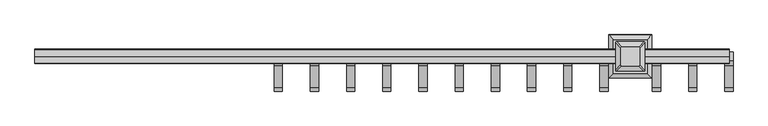
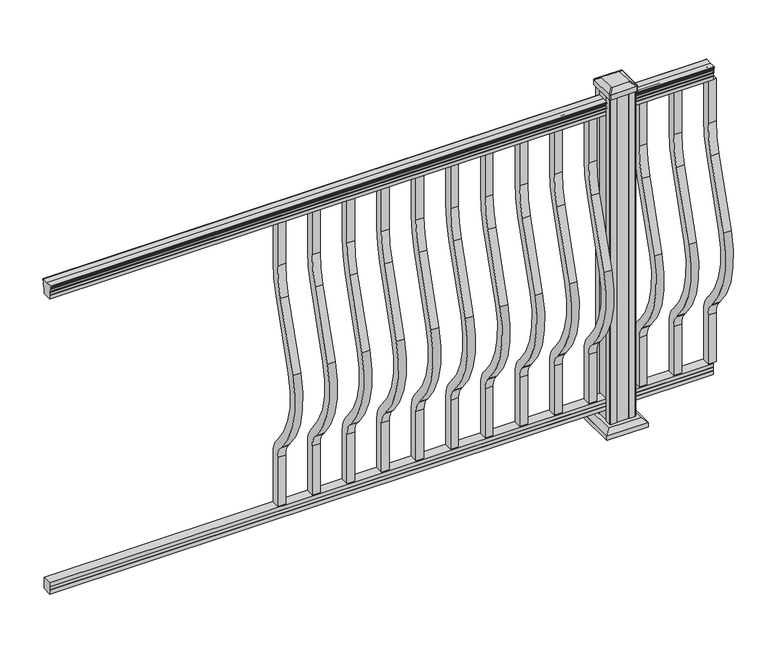
"""IFC4 building model written with IfcOpenShell, lengths in millimetres: railing geometry."""

from ifc_helpers import new_model, si_unit, point, frame, frame_2d, origin, origin_with_axes, place, context, project, spatial, polyline, circle_curve, trimmed, segment, composite_curve, outline, extrude, faceted_brep, source, transform, mapped, element, save
from ifc_brep_helpers import plane_surface, cylinder_surface, revolved_surface, extruded_surface, advanced_brep


def railing_0933faa9(model_context):
    return source(origin(), model_context, "Body", "SolidModel", [
        advanced_brep(
        [(13523.6817463, -48680.1992427, 1090.8043297), (13523.6817463, -48680.1992427, 1092.692412), (13523.6817463, -48681.329429, 1094.2546695), (13523.6817463, -48681.329429, 1101.4726458), (13523.6817463, -48680.6801726, 1103.9060812), (13523.6817463, -48683.1801726, 1108.2362083), (13523.6817463, -48684.5895151, 1109.9157972), (13523.6817463, -48684.9914141, 1111.0205318), (13523.6817463, -48684.991414, 1112.3608158), (13523.6817463, -48683.4379668, 1113.914263), (13523.6817463, -48662.766414, 1113.914263), (13523.6817463, -48642.0948612, 1113.914263), (13523.6817463, -48640.541414, 1112.3608158), (13523.6817463, -48640.541414, 1111.0205318), (13523.6817463, -48640.9433129, 1109.9157972), (13523.6817463, -48642.3526554, 1108.2362083), (13523.6817463, -48644.8526554, 1103.9060812), (13523.6817463, -48644.203399, 1101.4726458), (13523.6817463, -48644.203399, 1094.2546695), (13523.6817463, -48645.3335853, 1092.692412), (13523.6817463, -48645.3335853, 1090.8043297), (13523.6817463, -48647.907414, 1090.8043297), (13523.6817463, -48647.907414, 1080.3048283), (13523.6817463, -48646.891414, 1079.2888283), (13523.6817463, -48646.891414, 1066.8), (13523.6817463, -48678.641414, 1066.8), (13523.6817463, -48678.641414, 1079.131013), (13523.6817463, -48677.625414, 1080.147013), (13523.6817463, -48677.625414, 1090.8043297), (15657.2817463, -48680.1992427, 1090.8043297), (15657.2817463, -48677.625414, 1090.8043297), (15657.2817463, -48677.625414, 1080.147013), (15657.2817463, -48678.641414, 1079.131013), (15657.2817463, -48678.641414, 1066.8), (15657.2817463, -48646.891414, 1066.8), (15657.2817463, -48646.891414, 1079.2888283), (15657.2817463, -48647.907414, 1080.3048283), (15657.2817463, -48647.907414, 1090.8043297), (15657.2817463, -48645.3335853, 1090.8043297), (15657.2817463, -48645.3335853, 1092.692412), (15657.2817463, -48644.203399, 1094.2546695), (15657.2817463, -48644.203399, 1101.4726458), (15657.2817463, -48644.8526554, 1103.9060812), (15657.2817463, -48642.3526554, 1108.2362083), (15657.2817463, -48640.9433129, 1109.9157972), (15657.2817463, -48640.5414139, 1111.0205318), (15657.2817463, -48640.541414, 1112.3608158), (15657.2817463, -48642.0948612, 1113.914263), (15657.2817463, -48662.766414, 1113.914263), (15657.2817463, -48683.4379668, 1113.914263), (15657.2817463, -48684.991414, 1112.3608158), (15657.2817463, -48684.991414, 1111.0205318), (15657.2817463, -48684.5895151, 1109.9157972), (15657.2817463, -48683.1801726, 1108.2362083), (15657.2817463, -48680.6801726, 1103.9060812), (15657.2817463, -48681.329429, 1101.4726458), (15657.2817463, -48681.329429, 1094.2546695), (15657.2817463, -48680.1992427, 1092.692412)],
        [
            (0, 1),
            (1, 2, circle_curve(frame((13523.6817463, -48673.8844895, 1098.4506383), z_axis=(-1.0, 0.0, 0.0), x_axis=(0.0, 1.0, 0.0)), 8.545951)),
            (2, 3, circle_curve(frame((13523.6817463, -48674.3215524, 1097.8636577), z_axis=(-1.0, 0.0, 0.0), x_axis=(0.0, 1.0, 0.0)), 7.882584)),
            (3, 4, circle_curve(frame((13523.6817463, -48684.8348766, 1103.7112527), z_axis=(1.0, 0.0, 0.0), x_axis=(0.0, 1.0, 0.0)), 4.1592695)),
            (4, 5, circle_curve(frame((13523.6817463, -48686.1221831, 1103.6508864), z_axis=(1.0, 0.0, 0.0), x_axis=(0.0, 1.0, 0.0)), 5.4479907)),
            (5, 6, circle_curve(frame((13523.6817463, -48684.8890247, 1108.233395), z_axis=(1.0, 0.0, 0.0), x_axis=(0.0, 1.0, 0.0)), 1.7088543)),
            (6, 7, circle_curve(frame((13523.6817463, -48683.2721246, 1111.0205318), z_axis=(-1.0, 0.0, 0.0), x_axis=(0.0, 1.0, 0.0)), 1.7192895)),
            (7, 8),
            (8, 9, circle_curve(frame((13523.6817463, -48683.4379668, 1112.3608158), z_axis=(-1.0, 0.0, 0.0), x_axis=(0.0, 1.0, 0.0)), 1.5534472)),
            (9, 10),
            (10, 11),
            (11, 12, circle_curve(frame((13523.6817463, -48642.0948612, 1112.3608158), z_axis=(-1.0, 0.0, 0.0), x_axis=(0.0, -1.0, 0.0)), 1.5534472)),
            (12, 13),
            (13, 14, circle_curve(frame((13523.6817463, -48642.2607034, 1111.0205318), z_axis=(-1.0, 0.0, 0.0), x_axis=(0.0, -1.0, 0.0)), 1.7192895)),
            (14, 15, circle_curve(frame((13523.6817463, -48640.6438033, 1108.233395), z_axis=(1.0, 0.0, 0.0), x_axis=(0.0, -1.0, 0.0)), 1.7088543)),
            (15, 16, circle_curve(frame((13523.6817463, -48639.4106449, 1103.6508864), z_axis=(1.0, 0.0, 0.0), x_axis=(0.0, -1.0, 0.0)), 5.4479907)),
            (16, 17, circle_curve(frame((13523.6817463, -48640.6979515, 1103.7112527), z_axis=(1.0, 0.0, 0.0), x_axis=(0.0, -1.0, 0.0)), 4.1592695)),
            (17, 18, circle_curve(frame((13523.6817463, -48651.2112756, 1097.8636577), z_axis=(-1.0, 0.0, 0.0), x_axis=(0.0, -1.0, 0.0)), 7.882584)),
            (18, 19, circle_curve(frame((13523.6817463, -48651.6483386, 1098.4506383), z_axis=(-1.0, 0.0, 0.0), x_axis=(0.0, -1.0, 0.0)), 8.545951)),
            (19, 20),
            (20, 21, circle_curve(frame((13523.6817463, -48646.6204996, 1090.8043297), z_axis=(-1.0, 0.0, 0.0), x_axis=(0.0, -1.0, 0.0)), 1.2869144)),
            (21, 22),
            (22, 23),
            (23, 24),
            (24, 25),
            (25, 26),
            (26, 27),
            (27, 28),
            (28, 0, circle_curve(frame((13523.6817463, -48678.9123284, 1090.8043297), z_axis=(-1.0, 0.0, 0.0), x_axis=(0.0, 1.0, 0.0)), 1.2869144)),
            (29, 30, circle_curve(frame((15657.2817463, -48678.9123284, 1090.8043297), z_axis=(1.0, 0.0, 0.0), x_axis=(0.0, 1.0, 0.0)), 1.2869144)),
            (30, 31),
            (31, 32),
            (32, 33),
            (33, 34),
            (34, 35),
            (35, 36),
            (36, 37),
            (37, 38, circle_curve(frame((15657.2817463, -48646.6204996, 1090.8043297), z_axis=(1.0, 0.0, 0.0), x_axis=(0.0, -1.0, 0.0)), 1.2869144)),
            (38, 39),
            (39, 40, circle_curve(frame((15657.2817463, -48651.6483386, 1098.4506383), z_axis=(1.0, 0.0, 0.0), x_axis=(0.0, -1.0, 0.0)), 8.545951)),
            (40, 41, circle_curve(frame((15657.2817463, -48651.2112756, 1097.8636577), z_axis=(1.0, 0.0, 0.0), x_axis=(0.0, -1.0, 0.0)), 7.882584)),
            (41, 42, circle_curve(frame((15657.2817463, -48640.6979515, 1103.7112527), z_axis=(-1.0, 0.0, 0.0), x_axis=(0.0, -1.0, 0.0)), 4.1592695)),
            (42, 43, circle_curve(frame((15657.2817463, -48639.4106449, 1103.6508864), z_axis=(-1.0, 0.0, 0.0), x_axis=(0.0, -1.0, 0.0)), 5.4479907)),
            (43, 44, circle_curve(frame((15657.2817463, -48640.6438033, 1108.233395), z_axis=(-1.0, 0.0, 0.0), x_axis=(0.0, -1.0, 0.0)), 1.7088543)),
            (44, 45, circle_curve(frame((15657.2817463, -48642.2607034, 1111.0205318), z_axis=(1.0, 0.0, 0.0), x_axis=(0.0, -1.0, 0.0)), 1.7192895)),
            (45, 46),
            (46, 47, circle_curve(frame((15657.2817463, -48642.0948612, 1112.3608158), z_axis=(1.0, 0.0, 0.0), x_axis=(0.0, -1.0, 0.0)), 1.5534472)),
            (47, 48),
            (48, 49),
            (49, 50, circle_curve(frame((15657.2817463, -48683.4379668, 1112.3608158), z_axis=(1.0, 0.0, 0.0), x_axis=(0.0, 1.0, 0.0)), 1.5534472)),
            (50, 51),
            (51, 52, circle_curve(frame((15657.2817463, -48683.2721246, 1111.0205318), z_axis=(1.0, 0.0, 0.0), x_axis=(0.0, 1.0, 0.0)), 1.7192895)),
            (52, 53, circle_curve(frame((15657.2817463, -48684.8890247, 1108.233395), z_axis=(-1.0, 0.0, 0.0), x_axis=(0.0, 1.0, 0.0)), 1.7088543)),
            (53, 54, circle_curve(frame((15657.2817463, -48686.1221831, 1103.6508864), z_axis=(-1.0, 0.0, 0.0), x_axis=(0.0, 1.0, 0.0)), 5.4479907)),
            (54, 55, circle_curve(frame((15657.2817463, -48684.8348766, 1103.7112527), z_axis=(-1.0, 0.0, 0.0), x_axis=(0.0, 1.0, 0.0)), 4.1592695)),
            (55, 56, circle_curve(frame((15657.2817463, -48674.3215524, 1097.8636577), z_axis=(1.0, 0.0, 0.0), x_axis=(0.0, 1.0, 0.0)), 7.882584)),
            (56, 57, circle_curve(frame((15657.2817463, -48673.8844895, 1098.4506383), z_axis=(1.0, 0.0, 0.0), x_axis=(0.0, 1.0, 0.0)), 8.545951)),
            (57, 29),
            (28, 30),
            (29, 0),
            (27, 31),
            (26, 32),
            (25, 33),
            (24, 34),
            (23, 35),
            (22, 36),
            (21, 37),
            (20, 38),
            (19, 39),
            (18, 40),
            (17, 41),
            (16, 42),
            (15, 43),
            (14, 44),
            (13, 45),
            (12, 46),
            (11, 47),
            (10, 48),
            (9, 49),
            (8, 50),
            (7, 51),
            (6, 52),
            (5, 53),
            (4, 54),
            (3, 55),
            (2, 56),
            (1, 57),
        ],
        [
            plane_surface(frame((13523.6817463, -48662.766414, 1066.8), z_axis=(-1.0, 0.0, 0.0), x_axis=(0.0, 1.0, 0.0))),
            plane_surface(frame((15657.2817463, -48662.766414, 1066.8), z_axis=(1.0, 0.0, 0.0), x_axis=(0.0, 1.0, 0.0))),
            cylinder_surface(frame((13523.6817463, -48678.9123284, 1090.8043297), z_axis=(-1.0, 0.0, 0.0), x_axis=(0.0, 1.0, 0.0)), 1.2869144),
            plane_surface(frame((13523.6817463, -48677.625414, 1080.147013), z_axis=(0.0, -1.0, 0.0), x_axis=(1.0, 0.0, 0.0))),
            plane_surface(frame((13523.6817463, -48678.641414, 1079.131013), z_axis=(0.0, -0.7071067811865395, 0.7071067811865556), x_axis=(1.0, 0.0, 0.0))),
            plane_surface(frame((13523.6817463, -48678.641414, 1066.8), z_axis=(0.0, -1.0, 0.0), x_axis=(1.0, 0.0, 0.0))),
            plane_surface(frame((13523.6817463, -48646.891414, 1066.8), z_axis=(0.0, 0.0, -1.0), x_axis=(1.0, 0.0, 0.0))),
            plane_surface(frame((13523.6817463, -48646.891414, 1079.2888283), z_axis=(0.0, 1.0, 0.0), x_axis=(1.0, 0.0, 0.0))),
            plane_surface(frame((13523.6817463, -48647.907414, 1080.3048283), z_axis=(0.0, 0.7071067811865432, 0.707106781186552), x_axis=(1.0, 0.0, 0.0))),
            plane_surface(frame((13523.6817463, -48647.907414, 1090.8043297), z_axis=(0.0, 1.0, 0.0), x_axis=(1.0, 0.0, 0.0))),
            cylinder_surface(frame((13523.6817463, -48646.6204996, 1090.8043297), z_axis=(-1.0, 0.0, 0.0), x_axis=(0.0, -1.0, 0.0)), 1.2869144),
            plane_surface(frame((13523.6817463, -48645.3335853, 1092.692412), z_axis=(0.0, 1.0, 0.0), x_axis=(1.0, 0.0, 0.0))),
            cylinder_surface(frame((13523.6817463, -48651.6483386, 1098.4506383), z_axis=(-1.0, 0.0, 0.0), x_axis=(0.0, -1.0, 0.0)), 8.545951),
            cylinder_surface(frame((13523.6817463, -48651.2112756, 1097.8636577), z_axis=(-1.0, 0.0, 0.0), x_axis=(0.0, -1.0, 0.0)), 7.882584),
            revolved_surface(polyline([(15657.2817463, -48644.857221, 1103.7112527), (13523.6817463, -48644.857221, 1103.7112527)]), (13523.6817463, -48640.6979515, 1103.7112527), (1.0, 0.0, 0.0)),
            revolved_surface(polyline([(15657.2817463, -48644.8586356, 1103.6508864), (13523.6817463, -48644.8586356, 1103.6508864)]), (13523.6817463, -48639.4106449, 1103.6508864), (1.0, 0.0, 0.0)),
            revolved_surface(polyline([(15657.2817463, -48642.3526576, 1108.233395), (13523.6817463, -48642.3526576, 1108.233395)]), (13523.6817463, -48640.6438033, 1108.233395), (1.0, 0.0, 0.0)),
            cylinder_surface(frame((13523.6817463, -48642.2607034, 1111.0205318), z_axis=(-1.0, 0.0, 0.0), x_axis=(0.0, -1.0, 0.0)), 1.7192895),
            plane_surface(frame((13523.6817463, -48640.541414, 1112.3608158), z_axis=(0.0, 1.0, 0.0), x_axis=(1.0, 0.0, 0.0))),
            cylinder_surface(frame((13523.6817463, -48642.0948612, 1112.3608158), z_axis=(-1.0, 0.0, 0.0), x_axis=(0.0, -1.0, 0.0)), 1.5534472),
            plane_surface(frame((13523.6817463, -48662.766414, 1113.914263), z_axis=(0.0, 0.0, 1.0), x_axis=(1.0, 0.0, 0.0))),
            plane_surface(frame((13523.6817463, -48683.4379668, 1113.914263), z_axis=(0.0, 0.0, 1.0), x_axis=(1.0, 0.0, 0.0))),
            cylinder_surface(frame((13523.6817463, -48683.4379668, 1112.3608158), z_axis=(-1.0, 0.0, 0.0), x_axis=(0.0, 1.0, 0.0)), 1.5534472),
            plane_surface(frame((13523.6817463, -48684.991414, 1111.0205318), z_axis=(0.0, -1.0, 0.0), x_axis=(1.0, 0.0, 0.0))),
            cylinder_surface(frame((13523.6817463, -48683.2721246, 1111.0205318), z_axis=(-1.0, 0.0, 0.0), x_axis=(0.0, 1.0, 0.0)), 1.7192895),
            revolved_surface(polyline([(15657.2817463, -48683.1801704, 1108.233395), (13523.6817463, -48683.1801704, 1108.233395)]), (13523.6817463, -48684.8890247, 1108.233395), (1.0, 0.0, 0.0)),
            revolved_surface(polyline([(15657.2817463, -48680.6741924, 1103.6508864), (13523.6817463, -48680.6741924, 1103.6508864)]), (13523.6817463, -48686.1221831, 1103.6508864), (1.0, 0.0, 0.0)),
            revolved_surface(polyline([(15657.2817463, -48680.6756071, 1103.7112527), (13523.6817463, -48680.6756071, 1103.7112527)]), (13523.6817463, -48684.8348766, 1103.7112527), (1.0, 0.0, 0.0)),
            cylinder_surface(frame((13523.6817463, -48674.3215524, 1097.8636577), z_axis=(-1.0, 0.0, 0.0), x_axis=(0.0, 1.0, 0.0)), 7.882584),
            cylinder_surface(frame((13523.6817463, -48673.8844895, 1098.4506383), z_axis=(-1.0, 0.0, 0.0), x_axis=(0.0, 1.0, 0.0)), 8.545951),
            plane_surface(frame((13523.6817463, -48680.1992427, 1090.8043297), z_axis=(0.0, -1.0, 0.0), x_axis=(1.0, 0.0, 0.0))),
        ],
        [
            (0, [[1, 2, 3, 4, 5, 6, 7, 8, 9, 10, 11, 12, 13, 14, 15, 16, 17, 18, 19, 20, 21, 22, 23, 24, 25, 26, 27, 28, 29]]),
            (1, [[30, 31, 32, 33, 34, 35, 36, 37, 38, 39, 40, 41, 42, 43, 44, 45, 46, 47, 48, 49, 50, 51, 52, 53, 54, 55, 56, 57, 58]]),
            (2, [[-29, 59, -30, 60]]),
            (3, [[-28, 61, -31, -59]]),
            (4, [[-27, 62, -32, -61]]),
            (5, [[-26, 63, -33, -62]]),
            (6, [[-25, 64, -34, -63]]),
            (7, [[-24, 65, -35, -64]]),
            (8, [[-23, 66, -36, -65]]),
            (9, [[-22, 67, -37, -66]]),
            (10, [[-21, 68, -38, -67]]),
            (11, [[-20, 69, -39, -68]]),
            (12, [[-19, 70, -40, -69]]),
            (13, [[-18, 71, -41, -70]]),
            (14, [[-17, 72, -42, -71]]),
            (15, [[-16, 73, -43, -72]]),
            (16, [[-15, 74, -44, -73]]),
            (17, [[-14, 75, -45, -74]]),
            (18, [[-13, 76, -46, -75]]),
            (19, [[-12, 77, -47, -76]]),
            (20, [[-11, 78, -48, -77]]),
            (21, [[-10, 79, -49, -78]]),
            (22, [[-9, 80, -50, -79]]),
            (23, [[-8, 81, -51, -80]]),
            (24, [[-7, 82, -52, -81]]),
            (25, [[-6, 83, -53, -82]]),
            (26, [[-5, 84, -54, -83]]),
            (27, [[-4, 85, -55, -84]]),
            (28, [[-3, 86, -56, -85]]),
            (29, [[-2, 87, -57, -86]]),
            (30, [[-1, -60, -58, -87]]),
        ],
    ),
        faceted_brep([(13523.6817463, -48678.6789009, 76.0541976), (13523.6817463, -48677.6629009, 77.3546183), (13523.6817463, -48677.6629009, 87.7141717), (13523.6817463, -48678.6789009, 89.0624492), (13523.6817463, -48678.6789009, 101.5958781), (13523.6817463, -48646.9289009, 101.5958781), (13523.6817463, -48646.9289009, 89.0458024), (13523.6817463, -48647.9449009, 87.6975248), (13523.6817463, -48647.9449009, 77.3858283), (13523.6817463, -48646.9289009, 76.0375508), (13523.6817463, -48646.9289009, 63.5), (13523.6817463, -48678.6789009, 63.5), (15657.2817463, -48678.6789009, 76.0541976), (15657.2817463, -48678.6789009, 63.5), (15657.2817463, -48646.9289009, 63.5), (15657.2817463, -48646.9289009, 76.0375508), (15657.2817463, -48647.9449009, 77.3858283), (15657.2817463, -48647.9449009, 87.6975248), (15657.2817463, -48646.9289009, 89.0458024), (15657.2817463, -48646.9289009, 101.5958781), (15657.2817463, -48678.6789009, 101.5958781), (15657.2817463, -48678.6789009, 89.0624492), (15657.2817463, -48677.6629009, 87.7141717), (15657.2817463, -48677.6629009, 77.3546183)], [[[0, 1, 2, 3, 4, 5, 6, 7, 8, 9, 10, 11]], [[12, 13, 14, 15, 16, 17, 18, 19, 20, 21, 22, 23]], [[0, 11, 13, 12]], [[11, 10, 14, 13]], [[10, 9, 15, 14]], [[9, 8, 16, 15]], [[8, 7, 17, 16]], [[7, 6, 18, 17]], [[6, 5, 19, 18]], [[5, 4, 20, 19]], [[4, 3, 21, 20]], [[3, 2, 22, 21]], [[2, 1, 23, 22]], [[1, 0, 12, 23]]]),
        extrude(outline(composite_curve([segment(polyline([(-48675.466414, 921.03216), (-48675.466414, 1066.8), (-48650.066414, 1066.8), (-48650.066414, 921.03216)]), True, "CONTINUOUS"), segment(trimmed(circle_curve(frame_2d((-49022.766414, 921.03216)), 372.7), [point((-48650.066414, 921.03216))], [point((-48666.3516315, 812.0652257))], False, "CARTESIAN"), True, "CONTINUOUS"), segment(polyline([(-48666.3516315, 812.0652257), (-48734.1789093, 590.2121964)]), True, "CONTINUOUS"), segment(trimmed(circle_curve(frame_2d((-48478.558648, 512.0612397)), 267.3), [point((-48734.1789093, 590.2121964))], [point((-48677.8736709, 333.9522516))], True, "CARTESIAN"), True, "CONTINUOUS"), segment(polyline([(-48677.8736709, 333.9522516), (-48672.3719976, 327.7955374)]), True, "CONTINUOUS"), segment(trimmed(circle_curve(frame_2d((-48737.766414, 269.3587313)), 87.7), [point((-48672.3719976, 327.7955374))], [point((-48650.066414, 269.3587313))], False, "CARTESIAN"), True, "CONTINUOUS"), segment(polyline([(-48650.066414, 269.3587313), (-48650.066414, 101.5958781), (-48675.466414, 101.5958781), (-48675.466414, 269.3587313)]), True, "CONTINUOUS"), segment(trimmed(circle_curve(frame_2d((-48737.766414, 269.3587313)), 62.3), [point((-48675.466414, 269.3587313))], [point((-48691.3117716, 310.8708524))], True, "CARTESIAN"), True, "CONTINUOUS"), segment(polyline([(-48691.3117716, 310.8708524), (-48696.8134448, 317.0275666)]), True, "CONTINUOUS"), segment(trimmed(circle_curve(frame_2d((-48478.558648, 512.0612397)), 292.7), [point((-48696.8134448, 317.0275666))], [point((-48758.4690501, 597.6384377))], False, "CARTESIAN"), True, "CONTINUOUS"), segment(polyline([(-48758.4690501, 597.6384377), (-48690.6417723, 819.491467)]), True, "CONTINUOUS"), segment(trimmed(circle_curve(frame_2d((-49022.766414, 921.03216)), 347.3), [point((-48690.6417723, 819.491467))], [point((-48675.466414, 921.03216))], True, "CARTESIAN"), True, "CONTINUOUS")], self_intersect=False)), frame((15642.9942463, 0.0, 0.0), z_axis=(1.0, 0.0, 0.0), x_axis=(0.0, 1.0, 0.0)), (0.0, 0.0, 1.0), 25.4),
        extrude(outline(composite_curve([segment(polyline([(-48675.466414, 921.03216), (-48675.466414, 1066.8), (-48650.066414, 1066.8), (-48650.066414, 921.03216)]), True, "CONTINUOUS"), segment(trimmed(circle_curve(frame_2d((-49022.766414, 921.03216)), 372.7), [point((-48650.066414, 921.03216))], [point((-48666.3516315, 812.0652257))], False, "CARTESIAN"), True, "CONTINUOUS"), segment(polyline([(-48666.3516315, 812.0652257), (-48734.1789093, 590.2121964)]), True, "CONTINUOUS"), segment(trimmed(circle_curve(frame_2d((-48478.558648, 512.0612397)), 267.3), [point((-48734.1789093, 590.2121964))], [point((-48677.8736709, 333.9522516))], True, "CARTESIAN"), True, "CONTINUOUS"), segment(polyline([(-48677.8736709, 333.9522516), (-48672.3719976, 327.7955374)]), True, "CONTINUOUS"), segment(trimmed(circle_curve(frame_2d((-48737.766414, 269.3587313)), 87.7), [point((-48672.3719976, 327.7955374))], [point((-48650.066414, 269.3587313))], False, "CARTESIAN"), True, "CONTINUOUS"), segment(polyline([(-48650.066414, 269.3587313), (-48650.066414, 101.5958781), (-48675.466414, 101.5958781), (-48675.466414, 269.3587313)]), True, "CONTINUOUS"), segment(trimmed(circle_curve(frame_2d((-48737.766414, 269.3587313)), 62.3), [point((-48675.466414, 269.3587313))], [point((-48691.3117716, 310.8708524))], True, "CARTESIAN"), True, "CONTINUOUS"), segment(polyline([(-48691.3117716, 310.8708524), (-48696.8134448, 317.0275666)]), True, "CONTINUOUS"), segment(trimmed(circle_curve(frame_2d((-48478.558648, 512.0612397)), 292.7), [point((-48696.8134448, 317.0275666))], [point((-48758.4690501, 597.6384377))], False, "CARTESIAN"), True, "CONTINUOUS"), segment(polyline([(-48758.4690501, 597.6384377), (-48690.6417723, 819.491467)]), True, "CONTINUOUS"), segment(trimmed(circle_curve(frame_2d((-49022.766414, 921.03216)), 347.3), [point((-48690.6417723, 819.491467))], [point((-48675.466414, 921.03216))], True, "CARTESIAN"), True, "CONTINUOUS")], self_intersect=False)), frame((15531.8692463, 0.0, 0.0), z_axis=(1.0, 0.0, 0.0), x_axis=(0.0, 1.0, 0.0)), (0.0, 0.0, 1.0), 25.4),
        extrude(outline(composite_curve([segment(polyline([(-48675.466414, 921.03216), (-48675.466414, 1066.8), (-48650.066414, 1066.8), (-48650.066414, 921.03216)]), True, "CONTINUOUS"), segment(trimmed(circle_curve(frame_2d((-49022.766414, 921.03216)), 372.7), [point((-48650.066414, 921.03216))], [point((-48666.3516315, 812.0652257))], False, "CARTESIAN"), True, "CONTINUOUS"), segment(polyline([(-48666.3516315, 812.0652257), (-48734.1789093, 590.2121964)]), True, "CONTINUOUS"), segment(trimmed(circle_curve(frame_2d((-48478.558648, 512.0612397)), 267.3), [point((-48734.1789093, 590.2121964))], [point((-48677.8736709, 333.9522516))], True, "CARTESIAN"), True, "CONTINUOUS"), segment(polyline([(-48677.8736709, 333.9522516), (-48672.3719976, 327.7955374)]), True, "CONTINUOUS"), segment(trimmed(circle_curve(frame_2d((-48737.766414, 269.3587313)), 87.7), [point((-48672.3719976, 327.7955374))], [point((-48650.066414, 269.3587313))], False, "CARTESIAN"), True, "CONTINUOUS"), segment(polyline([(-48650.066414, 269.3587313), (-48650.066414, 101.5958781), (-48675.466414, 101.5958781), (-48675.466414, 269.3587313)]), True, "CONTINUOUS"), segment(trimmed(circle_curve(frame_2d((-48737.766414, 269.3587313)), 62.3), [point((-48675.466414, 269.3587313))], [point((-48691.3117716, 310.8708524))], True, "CARTESIAN"), True, "CONTINUOUS"), segment(polyline([(-48691.3117716, 310.8708524), (-48696.8134448, 317.0275666)]), True, "CONTINUOUS"), segment(trimmed(circle_curve(frame_2d((-48478.558648, 512.0612397)), 292.7), [point((-48696.8134448, 317.0275666))], [point((-48758.4690501, 597.6384377))], False, "CARTESIAN"), True, "CONTINUOUS"), segment(polyline([(-48758.4690501, 597.6384377), (-48690.6417723, 819.491467)]), True, "CONTINUOUS"), segment(trimmed(circle_curve(frame_2d((-49022.766414, 921.03216)), 347.3), [point((-48690.6417723, 819.491467))], [point((-48675.466414, 921.03216))], True, "CARTESIAN"), True, "CONTINUOUS")], self_intersect=False)), frame((15420.7442463, 0.0, 0.0), z_axis=(1.0, 0.0, 0.0), x_axis=(0.0, 1.0, 0.0)), (0.0, 0.0, 1.0), 25.4),
        faceted_brep([(15299.8958088, -48715.3523515, 28.575), (15405.0676838, -48715.3523515, 28.575), (15405.0676838, -48610.1804765, 28.575), (15299.8958088, -48610.1804765, 28.575), (15285.8563557, -48729.3918046, 15.24), (15285.8563557, -48596.1410234, 15.24), (15419.107137, -48596.1410234, 15.24), (15419.107137, -48729.3918046, 15.24)], [[[0, 1, 2, 3]], [[4, 5, 6, 7]], [[4, 0, 3, 5]], [[5, 3, 2, 6]], [[6, 2, 1, 7]], [[7, 1, 0, 4]]]),
        extrude(outline(polyline([(15285.8563557, -48729.3918046), (15285.8563557, -48596.1410234), (15419.107137, -48596.1410234), (15419.107137, -48729.3918046), (15285.8563557, -48729.3918046)])), origin_with_axes(), (0.0, 0.0, 1.0), 15.24),
        advanced_brep(
        [(15323.5098713, -48636.969539, 1165.225), (15323.5098713, -48688.563289, 1165.225), (15326.6848713, -48691.738289, 1165.225), (15378.2786213, -48691.738289, 1165.225), (15381.4536213, -48688.563289, 1165.225), (15381.4536213, -48636.969539, 1165.225), (15378.2786213, -48633.794539, 1165.225), (15326.6848713, -48633.794539, 1165.225), (15307.2379963, -48620.697664, 1153.922), (15310.4129963, -48617.522664, 1153.922), (15394.5504963, -48617.522664, 1153.922), (15397.7254963, -48620.697664, 1153.922), (15397.7254963, -48704.835164, 1153.922), (15394.5504963, -48708.010164, 1153.922), (15310.4129963, -48708.010164, 1153.922), (15307.2379963, -48704.835164, 1153.922)],
        [
            (0, 1),
            (1, 2, circle_curve(frame((15326.6848713, -48688.563289, 1165.225), z_axis=(0.0, 0.0, 1.0), x_axis=(1.0, 0.0, 0.0)), 3.175)),
            (2, 3),
            (3, 4, circle_curve(frame((15378.2786213, -48688.563289, 1165.225), z_axis=(0.0, 0.0, 1.0), x_axis=(1.0, 0.0, 0.0)), 3.175)),
            (4, 5),
            (5, 6, circle_curve(frame((15378.2786213, -48636.969539, 1165.225), z_axis=(0.0, 0.0, 1.0), x_axis=(1.0, 0.0, 0.0)), 3.175)),
            (6, 7),
            (7, 0, circle_curve(frame((15326.6848713, -48636.969539, 1165.225), z_axis=(0.0, 0.0, 1.0), x_axis=(1.0, 0.0, 0.0)), 3.175)),
            (8, 9, circle_curve(frame((15310.4129963, -48620.697664, 1153.922), z_axis=(0.0, 0.0, -1.0), x_axis=(1.0, 0.0, 0.0)), 3.175)),
            (9, 10),
            (10, 11, circle_curve(frame((15394.5504963, -48620.697664, 1153.922), z_axis=(0.0, 0.0, -1.0), x_axis=(1.0, 0.0, 0.0)), 3.175)),
            (11, 12),
            (12, 13, circle_curve(frame((15394.5504963, -48704.835164, 1153.922), z_axis=(0.0, 0.0, -1.0), x_axis=(1.0, 0.0, 0.0)), 3.175)),
            (13, 14),
            (14, 15, circle_curve(frame((15310.4129963, -48704.835164, 1153.922), z_axis=(0.0, 0.0, -1.0), x_axis=(1.0, 0.0, 0.0)), 3.175)),
            (15, 8),
            (8, 0),
            (7, 9),
            (6, 10),
            (5, 11),
            (4, 12),
            (3, 13),
            (2, 14),
            (1, 15),
        ],
        [
            plane_surface(frame((15352.4817463, -48662.766414, 1165.225), z_axis=(0.0, 0.0, 1.0), x_axis=(0.0, 1.0, 0.0))),
            plane_surface(frame((15352.4817463, -48662.766414, 1153.922), z_axis=(0.0, 0.0, -1.0), x_axis=(0.0, 1.0, 0.0))),
            extruded_surface(trimmed(circle_curve(frame((15326.6848713, -48636.969539, 1165.225), z_axis=(0.0, 0.0, -1.0), x_axis=(1.0, 0.0, 0.0)), 3.175), [point((15323.5098713, -48636.969539, 1165.225))], [point((15326.6848713, -48633.794539, 1165.225))], True, "CARTESIAN"), (-16.271875000000364, 16.271874999998545, -11.302999999999884), 25.63797263886542),
            plane_surface(frame((15352.4817463, -48617.522664, 1153.922), z_axis=(0.0, 0.5705009161540777, 0.8212969649690409), x_axis=(1.0, 0.0, 0.0))),
            extruded_surface(trimmed(circle_curve(frame((15378.2786213, -48636.969539, 1165.225), z_axis=(0.0, 0.0, -1.0), x_axis=(1.0, 0.0, 0.0)), 3.175), [point((15378.2786213, -48633.794539, 1165.225))], [point((15381.4536213, -48636.969539, 1165.225))], True, "CARTESIAN"), (16.271875000000364, 16.271874999998545, -11.302999999999884), 25.63797263886542),
            plane_surface(frame((15397.7254963, -48662.766414, 1153.922), z_axis=(0.5705009161540291, 0.0, 0.8212969649690747), x_axis=(0.0, -1.0, 0.0))),
            extruded_surface(trimmed(circle_curve(frame((15378.2786213, -48688.563289, 1165.225), z_axis=(0.0, 0.0, -1.0), x_axis=(1.0, 0.0, 0.0)), 3.175), [point((15381.4536213, -48688.563289, 1165.225))], [point((15378.2786213, -48691.738289, 1165.225))], True, "CARTESIAN"), (16.271875000000364, -16.271874999998545, -11.302999999999884), 25.63797263886542),
            plane_surface(frame((15352.4817463, -48708.010164, 1153.922), z_axis=(0.0, -0.5705009161540143, 0.821296964969085), x_axis=(-1.0, 0.0, 0.0))),
            extruded_surface(trimmed(circle_curve(frame((15326.6848713, -48688.563289, 1165.225), z_axis=(0.0, 0.0, -1.0), x_axis=(1.0, 0.0, 0.0)), 3.175), [point((15326.6848713, -48691.738289, 1165.225))], [point((15323.5098713, -48688.563289, 1165.225))], True, "CARTESIAN"), (-16.271875000000364, -16.271874999998545, -11.302999999999884), 25.63797263886542),
            plane_surface(frame((15307.2379963, -48662.766414, 1153.922), z_axis=(-0.570500916154034, 0.0, 0.8212969649690713), x_axis=(0.0, 1.0, 0.0))),
        ],
        [
            (0, [[1, 2, 3, 4, 5, 6, 7, 8]]),
            (1, [[9, 10, 11, 12, 13, 14, 15, 16]]),
            (2, [[17, -8, 18, -9]]),
            (3, [[-18, -7, 19, -10]]),
            (4, [[-19, -6, 20, -11]]),
            (5, [[-20, -5, 21, -12]]),
            (6, [[-21, -4, 22, -13]]),
            (7, [[-22, -3, 23, -14]]),
            (8, [[-23, -2, 24, -15]]),
            (9, [[-24, -1, -17, -16]]),
        ],
    ),
        extrude(outline(composite_curve([segment(trimmed(circle_curve(frame_2d((15310.4129963, -48620.697664)), 3.175), [point((15307.2379963, -48620.697664))], [point((15310.4129963, -48617.522664))], False, "CARTESIAN"), True, "CONTINUOUS"), segment(polyline([(15310.4129963, -48617.522664), (15394.5504963, -48617.522664)]), True, "CONTINUOUS"), segment(trimmed(circle_curve(frame_2d((15394.5504963, -48620.697664)), 3.175), [point((15394.5504963, -48617.522664))], [point((15397.7254963, -48620.697664))], False, "CARTESIAN"), True, "CONTINUOUS"), segment(polyline([(15397.7254963, -48620.697664), (15397.7254963, -48704.835164)]), True, "CONTINUOUS"), segment(trimmed(circle_curve(frame_2d((15394.5504963, -48704.835164)), 3.175), [point((15397.7254963, -48704.835164))], [point((15394.5504963, -48708.010164))], False, "CARTESIAN"), True, "CONTINUOUS"), segment(polyline([(15394.5504963, -48708.010164), (15310.4129963, -48708.010164)]), True, "CONTINUOUS"), segment(trimmed(circle_curve(frame_2d((15310.4129963, -48704.835164)), 3.175), [point((15310.4129963, -48708.010164))], [point((15307.2379963, -48704.835164))], False, "CARTESIAN"), True, "CONTINUOUS"), segment(polyline([(15307.2379963, -48704.835164), (15307.2379963, -48620.697664)]), True, "CONTINUOUS")], self_intersect=False)), frame((0.0, 0.0, 1136.65), z_axis=(0.0, 0.0, 1.0), x_axis=(1.0, 0.0, 0.0)), (0.0, 0.0, 1.0), 17.272),
        extrude(outline(polyline([(15311.2067463, -48623.078914), (15312.7942463, -48621.491414), (15332.4157463, -48621.491414), (15333.1777463, -48623.078914), (15371.7857463, -48623.078914), (15372.5477463, -48621.491414), (15392.1692463, -48621.491414), (15393.7567463, -48623.078914), (15393.7567463, -48642.700414), (15392.1692463, -48643.462414), (15392.1692463, -48682.070414), (15393.7567463, -48682.832414), (15393.7567463, -48702.453914), (15392.1692463, -48704.041414), (15372.5477463, -48704.041414), (15371.7857463, -48702.453914), (15333.1777463, -48702.453914), (15332.4157463, -48704.041414), (15312.7942463, -48704.041414), (15311.2067463, -48702.453914), (15311.2067463, -48682.832414), (15312.7942463, -48682.070414), (15312.7942463, -48643.462414), (15311.2067463, -48642.700414), (15311.2067463, -48623.078914)])), origin_with_axes(), (0.0, 0.0, 1.0), 1136.65),
        extrude(outline(composite_curve([segment(polyline([(-48675.466414, 921.03216), (-48675.466414, 1066.8), (-48650.066414, 1066.8), (-48650.066414, 921.03216)]), True, "CONTINUOUS"), segment(trimmed(circle_curve(frame_2d((-49022.766414, 921.03216)), 372.7), [point((-48650.066414, 921.03216))], [point((-48666.3516315, 812.0652257))], False, "CARTESIAN"), True, "CONTINUOUS"), segment(polyline([(-48666.3516315, 812.0652257), (-48734.1789093, 590.2121964)]), True, "CONTINUOUS"), segment(trimmed(circle_curve(frame_2d((-48478.558648, 512.0612397)), 267.3), [point((-48734.1789093, 590.2121964))], [point((-48677.8736709, 333.9522516))], True, "CARTESIAN"), True, "CONTINUOUS"), segment(polyline([(-48677.8736709, 333.9522516), (-48672.3719976, 327.7955374)]), True, "CONTINUOUS"), segment(trimmed(circle_curve(frame_2d((-48737.766414, 269.3587313)), 87.7), [point((-48672.3719976, 327.7955374))], [point((-48650.066414, 269.3587313))], False, "CARTESIAN"), True, "CONTINUOUS"), segment(polyline([(-48650.066414, 269.3587313), (-48650.066414, 101.5958781), (-48675.466414, 101.5958781), (-48675.466414, 269.3587313)]), True, "CONTINUOUS"), segment(trimmed(circle_curve(frame_2d((-48737.766414, 269.3587313)), 62.3), [point((-48675.466414, 269.3587313))], [point((-48691.3117716, 310.8708524))], True, "CARTESIAN"), True, "CONTINUOUS"), segment(polyline([(-48691.3117716, 310.8708524), (-48696.8134448, 317.0275666)]), True, "CONTINUOUS"), segment(trimmed(circle_curve(frame_2d((-48478.558648, 512.0612397)), 292.7), [point((-48696.8134448, 317.0275666))], [point((-48758.4690501, 597.6384377))], False, "CARTESIAN"), True, "CONTINUOUS"), segment(polyline([(-48758.4690501, 597.6384377), (-48690.6417723, 819.491467)]), True, "CONTINUOUS"), segment(trimmed(circle_curve(frame_2d((-49022.766414, 921.03216)), 347.3), [point((-48690.6417723, 819.491467))], [point((-48675.466414, 921.03216))], True, "CARTESIAN"), True, "CONTINUOUS")], self_intersect=False)), frame((15258.8192463, 0.0, 0.0), z_axis=(1.0, 0.0, 0.0), x_axis=(0.0, 1.0, 0.0)), (0.0, 0.0, 1.0), 25.4),
        extrude(outline(composite_curve([segment(polyline([(-48675.466414, 921.03216), (-48675.466414, 1066.8), (-48650.066414, 1066.8), (-48650.066414, 921.03216)]), True, "CONTINUOUS"), segment(trimmed(circle_curve(frame_2d((-49022.766414, 921.03216)), 372.7), [point((-48650.066414, 921.03216))], [point((-48666.3516315, 812.0652257))], False, "CARTESIAN"), True, "CONTINUOUS"), segment(polyline([(-48666.3516315, 812.0652257), (-48734.1789093, 590.2121964)]), True, "CONTINUOUS"), segment(trimmed(circle_curve(frame_2d((-48478.558648, 512.0612397)), 267.3), [point((-48734.1789093, 590.2121964))], [point((-48677.8736709, 333.9522516))], True, "CARTESIAN"), True, "CONTINUOUS"), segment(polyline([(-48677.8736709, 333.9522516), (-48672.3719976, 327.7955374)]), True, "CONTINUOUS"), segment(trimmed(circle_curve(frame_2d((-48737.766414, 269.3587313)), 87.7), [point((-48672.3719976, 327.7955374))], [point((-48650.066414, 269.3587313))], False, "CARTESIAN"), True, "CONTINUOUS"), segment(polyline([(-48650.066414, 269.3587313), (-48650.066414, 101.5958781), (-48675.466414, 101.5958781), (-48675.466414, 269.3587313)]), True, "CONTINUOUS"), segment(trimmed(circle_curve(frame_2d((-48737.766414, 269.3587313)), 62.3), [point((-48675.466414, 269.3587313))], [point((-48691.3117716, 310.8708524))], True, "CARTESIAN"), True, "CONTINUOUS"), segment(polyline([(-48691.3117716, 310.8708524), (-48696.8134448, 317.0275666)]), True, "CONTINUOUS"), segment(trimmed(circle_curve(frame_2d((-48478.558648, 512.0612397)), 292.7), [point((-48696.8134448, 317.0275666))], [point((-48758.4690501, 597.6384377))], False, "CARTESIAN"), True, "CONTINUOUS"), segment(polyline([(-48758.4690501, 597.6384377), (-48690.6417723, 819.491467)]), True, "CONTINUOUS"), segment(trimmed(circle_curve(frame_2d((-49022.766414, 921.03216)), 347.3), [point((-48690.6417723, 819.491467))], [point((-48675.466414, 921.03216))], True, "CARTESIAN"), True, "CONTINUOUS")], self_intersect=False)), frame((15147.6942463, 0.0, 0.0), z_axis=(1.0, 0.0, 0.0), x_axis=(0.0, 1.0, 0.0)), (0.0, 0.0, 1.0), 25.4),
        extrude(outline(composite_curve([segment(polyline([(-48675.466414, 921.03216), (-48675.466414, 1066.8), (-48650.066414, 1066.8), (-48650.066414, 921.03216)]), True, "CONTINUOUS"), segment(trimmed(circle_curve(frame_2d((-49022.766414, 921.03216)), 372.7), [point((-48650.066414, 921.03216))], [point((-48666.3516315, 812.0652257))], False, "CARTESIAN"), True, "CONTINUOUS"), segment(polyline([(-48666.3516315, 812.0652257), (-48734.1789093, 590.2121964)]), True, "CONTINUOUS"), segment(trimmed(circle_curve(frame_2d((-48478.558648, 512.0612397)), 267.3), [point((-48734.1789093, 590.2121964))], [point((-48677.8736709, 333.9522516))], True, "CARTESIAN"), True, "CONTINUOUS"), segment(polyline([(-48677.8736709, 333.9522516), (-48672.3719976, 327.7955374)]), True, "CONTINUOUS"), segment(trimmed(circle_curve(frame_2d((-48737.766414, 269.3587313)), 87.7), [point((-48672.3719976, 327.7955374))], [point((-48650.066414, 269.3587313))], False, "CARTESIAN"), True, "CONTINUOUS"), segment(polyline([(-48650.066414, 269.3587313), (-48650.066414, 101.5958781), (-48675.466414, 101.5958781), (-48675.466414, 269.3587313)]), True, "CONTINUOUS"), segment(trimmed(circle_curve(frame_2d((-48737.766414, 269.3587313)), 62.3), [point((-48675.466414, 269.3587313))], [point((-48691.3117716, 310.8708524))], True, "CARTESIAN"), True, "CONTINUOUS"), segment(polyline([(-48691.3117716, 310.8708524), (-48696.8134448, 317.0275666)]), True, "CONTINUOUS"), segment(trimmed(circle_curve(frame_2d((-48478.558648, 512.0612397)), 292.7), [point((-48696.8134448, 317.0275666))], [point((-48758.4690501, 597.6384377))], False, "CARTESIAN"), True, "CONTINUOUS"), segment(polyline([(-48758.4690501, 597.6384377), (-48690.6417723, 819.491467)]), True, "CONTINUOUS"), segment(trimmed(circle_curve(frame_2d((-49022.766414, 921.03216)), 347.3), [point((-48690.6417723, 819.491467))], [point((-48675.466414, 921.03216))], True, "CARTESIAN"), True, "CONTINUOUS")], self_intersect=False)), frame((15036.5692463, 0.0, 0.0), z_axis=(1.0, 0.0, 0.0), x_axis=(0.0, 1.0, 0.0)), (0.0, 0.0, 1.0), 25.4),
        extrude(outline(composite_curve([segment(polyline([(-48675.466414, 921.03216), (-48675.466414, 1066.8), (-48650.066414, 1066.8), (-48650.066414, 921.03216)]), True, "CONTINUOUS"), segment(trimmed(circle_curve(frame_2d((-49022.766414, 921.03216)), 372.7), [point((-48650.066414, 921.03216))], [point((-48666.3516315, 812.0652257))], False, "CARTESIAN"), True, "CONTINUOUS"), segment(polyline([(-48666.3516315, 812.0652257), (-48734.1789093, 590.2121964)]), True, "CONTINUOUS"), segment(trimmed(circle_curve(frame_2d((-48478.558648, 512.0612397)), 267.3), [point((-48734.1789093, 590.2121964))], [point((-48677.8736709, 333.9522516))], True, "CARTESIAN"), True, "CONTINUOUS"), segment(polyline([(-48677.8736709, 333.9522516), (-48672.3719976, 327.7955374)]), True, "CONTINUOUS"), segment(trimmed(circle_curve(frame_2d((-48737.766414, 269.3587313)), 87.7), [point((-48672.3719976, 327.7955374))], [point((-48650.066414, 269.3587313))], False, "CARTESIAN"), True, "CONTINUOUS"), segment(polyline([(-48650.066414, 269.3587313), (-48650.066414, 101.5958781), (-48675.466414, 101.5958781), (-48675.466414, 269.3587313)]), True, "CONTINUOUS"), segment(trimmed(circle_curve(frame_2d((-48737.766414, 269.3587313)), 62.3), [point((-48675.466414, 269.3587313))], [point((-48691.3117716, 310.8708524))], True, "CARTESIAN"), True, "CONTINUOUS"), segment(polyline([(-48691.3117716, 310.8708524), (-48696.8134448, 317.0275666)]), True, "CONTINUOUS"), segment(trimmed(circle_curve(frame_2d((-48478.558648, 512.0612397)), 292.7), [point((-48696.8134448, 317.0275666))], [point((-48758.4690501, 597.6384377))], False, "CARTESIAN"), True, "CONTINUOUS"), segment(polyline([(-48758.4690501, 597.6384377), (-48690.6417723, 819.491467)]), True, "CONTINUOUS"), segment(trimmed(circle_curve(frame_2d((-49022.766414, 921.03216)), 347.3), [point((-48690.6417723, 819.491467))], [point((-48675.466414, 921.03216))], True, "CARTESIAN"), True, "CONTINUOUS")], self_intersect=False)), frame((14925.4442463, 0.0, 0.0), z_axis=(1.0, 0.0, 0.0), x_axis=(0.0, 1.0, 0.0)), (0.0, 0.0, 1.0), 25.4),
        extrude(outline(composite_curve([segment(polyline([(-48675.466414, 921.03216), (-48675.466414, 1066.8), (-48650.066414, 1066.8), (-48650.066414, 921.03216)]), True, "CONTINUOUS"), segment(trimmed(circle_curve(frame_2d((-49022.766414, 921.03216)), 372.7), [point((-48650.066414, 921.03216))], [point((-48666.3516315, 812.0652257))], False, "CARTESIAN"), True, "CONTINUOUS"), segment(polyline([(-48666.3516315, 812.0652257), (-48734.1789093, 590.2121964)]), True, "CONTINUOUS"), segment(trimmed(circle_curve(frame_2d((-48478.558648, 512.0612397)), 267.3), [point((-48734.1789093, 590.2121964))], [point((-48677.8736709, 333.9522516))], True, "CARTESIAN"), True, "CONTINUOUS"), segment(polyline([(-48677.8736709, 333.9522516), (-48672.3719976, 327.7955374)]), True, "CONTINUOUS"), segment(trimmed(circle_curve(frame_2d((-48737.766414, 269.3587313)), 87.7), [point((-48672.3719976, 327.7955374))], [point((-48650.066414, 269.3587313))], False, "CARTESIAN"), True, "CONTINUOUS"), segment(polyline([(-48650.066414, 269.3587313), (-48650.066414, 101.5958781), (-48675.466414, 101.5958781), (-48675.466414, 269.3587313)]), True, "CONTINUOUS"), segment(trimmed(circle_curve(frame_2d((-48737.766414, 269.3587313)), 62.3), [point((-48675.466414, 269.3587313))], [point((-48691.3117716, 310.8708524))], True, "CARTESIAN"), True, "CONTINUOUS"), segment(polyline([(-48691.3117716, 310.8708524), (-48696.8134448, 317.0275666)]), True, "CONTINUOUS"), segment(trimmed(circle_curve(frame_2d((-48478.558648, 512.0612397)), 292.7), [point((-48696.8134448, 317.0275666))], [point((-48758.4690501, 597.6384377))], False, "CARTESIAN"), True, "CONTINUOUS"), segment(polyline([(-48758.4690501, 597.6384377), (-48690.6417723, 819.491467)]), True, "CONTINUOUS"), segment(trimmed(circle_curve(frame_2d((-49022.766414, 921.03216)), 347.3), [point((-48690.6417723, 819.491467))], [point((-48675.466414, 921.03216))], True, "CARTESIAN"), True, "CONTINUOUS")], self_intersect=False)), frame((14814.3192463, 0.0, 0.0), z_axis=(1.0, 0.0, 0.0), x_axis=(0.0, 1.0, 0.0)), (0.0, 0.0, 1.0), 25.4),
        extrude(outline(composite_curve([segment(polyline([(-48675.466414, 921.03216), (-48675.466414, 1066.8), (-48650.066414, 1066.8), (-48650.066414, 921.03216)]), True, "CONTINUOUS"), segment(trimmed(circle_curve(frame_2d((-49022.766414, 921.03216)), 372.7), [point((-48650.066414, 921.03216))], [point((-48666.3516315, 812.0652257))], False, "CARTESIAN"), True, "CONTINUOUS"), segment(polyline([(-48666.3516315, 812.0652257), (-48734.1789093, 590.2121964)]), True, "CONTINUOUS"), segment(trimmed(circle_curve(frame_2d((-48478.558648, 512.0612397)), 267.3), [point((-48734.1789093, 590.2121964))], [point((-48677.8736709, 333.9522516))], True, "CARTESIAN"), True, "CONTINUOUS"), segment(polyline([(-48677.8736709, 333.9522516), (-48672.3719976, 327.7955374)]), True, "CONTINUOUS"), segment(trimmed(circle_curve(frame_2d((-48737.766414, 269.3587313)), 87.7), [point((-48672.3719976, 327.7955374))], [point((-48650.066414, 269.3587313))], False, "CARTESIAN"), True, "CONTINUOUS"), segment(polyline([(-48650.066414, 269.3587313), (-48650.066414, 101.5958781), (-48675.466414, 101.5958781), (-48675.466414, 269.3587313)]), True, "CONTINUOUS"), segment(trimmed(circle_curve(frame_2d((-48737.766414, 269.3587313)), 62.3), [point((-48675.466414, 269.3587313))], [point((-48691.3117716, 310.8708524))], True, "CARTESIAN"), True, "CONTINUOUS"), segment(polyline([(-48691.3117716, 310.8708524), (-48696.8134448, 317.0275666)]), True, "CONTINUOUS"), segment(trimmed(circle_curve(frame_2d((-48478.558648, 512.0612397)), 292.7), [point((-48696.8134448, 317.0275666))], [point((-48758.4690501, 597.6384377))], False, "CARTESIAN"), True, "CONTINUOUS"), segment(polyline([(-48758.4690501, 597.6384377), (-48690.6417723, 819.491467)]), True, "CONTINUOUS"), segment(trimmed(circle_curve(frame_2d((-49022.766414, 921.03216)), 347.3), [point((-48690.6417723, 819.491467))], [point((-48675.466414, 921.03216))], True, "CARTESIAN"), True, "CONTINUOUS")], self_intersect=False)), frame((14703.1942463, 0.0, 0.0), z_axis=(1.0, 0.0, 0.0), x_axis=(0.0, 1.0, 0.0)), (0.0, 0.0, 1.0), 25.4),
        extrude(outline(composite_curve([segment(polyline([(-48675.466414, 921.03216), (-48675.466414, 1066.8), (-48650.066414, 1066.8), (-48650.066414, 921.03216)]), True, "CONTINUOUS"), segment(trimmed(circle_curve(frame_2d((-49022.766414, 921.03216)), 372.7), [point((-48650.066414, 921.03216))], [point((-48666.3516315, 812.0652257))], False, "CARTESIAN"), True, "CONTINUOUS"), segment(polyline([(-48666.3516315, 812.0652257), (-48734.1789093, 590.2121964)]), True, "CONTINUOUS"), segment(trimmed(circle_curve(frame_2d((-48478.558648, 512.0612397)), 267.3), [point((-48734.1789093, 590.2121964))], [point((-48677.8736709, 333.9522516))], True, "CARTESIAN"), True, "CONTINUOUS"), segment(polyline([(-48677.8736709, 333.9522516), (-48672.3719976, 327.7955374)]), True, "CONTINUOUS"), segment(trimmed(circle_curve(frame_2d((-48737.766414, 269.3587313)), 87.7), [point((-48672.3719976, 327.7955374))], [point((-48650.066414, 269.3587313))], False, "CARTESIAN"), True, "CONTINUOUS"), segment(polyline([(-48650.066414, 269.3587313), (-48650.066414, 101.5958781), (-48675.466414, 101.5958781), (-48675.466414, 269.3587313)]), True, "CONTINUOUS"), segment(trimmed(circle_curve(frame_2d((-48737.766414, 269.3587313)), 62.3), [point((-48675.466414, 269.3587313))], [point((-48691.3117716, 310.8708524))], True, "CARTESIAN"), True, "CONTINUOUS"), segment(polyline([(-48691.3117716, 310.8708524), (-48696.8134448, 317.0275666)]), True, "CONTINUOUS"), segment(trimmed(circle_curve(frame_2d((-48478.558648, 512.0612397)), 292.7), [point((-48696.8134448, 317.0275666))], [point((-48758.4690501, 597.6384377))], False, "CARTESIAN"), True, "CONTINUOUS"), segment(polyline([(-48758.4690501, 597.6384377), (-48690.6417723, 819.491467)]), True, "CONTINUOUS"), segment(trimmed(circle_curve(frame_2d((-49022.766414, 921.03216)), 347.3), [point((-48690.6417723, 819.491467))], [point((-48675.466414, 921.03216))], True, "CARTESIAN"), True, "CONTINUOUS")], self_intersect=False)), frame((14592.0692463, 0.0, 0.0), z_axis=(1.0, 0.0, 0.0), x_axis=(0.0, 1.0, 0.0)), (0.0, 0.0, 1.0), 25.4),
        extrude(outline(composite_curve([segment(polyline([(-48675.466414, 921.03216), (-48675.466414, 1066.8), (-48650.066414, 1066.8), (-48650.066414, 921.03216)]), True, "CONTINUOUS"), segment(trimmed(circle_curve(frame_2d((-49022.766414, 921.03216)), 372.7), [point((-48650.066414, 921.03216))], [point((-48666.3516315, 812.0652257))], False, "CARTESIAN"), True, "CONTINUOUS"), segment(polyline([(-48666.3516315, 812.0652257), (-48734.1789093, 590.2121964)]), True, "CONTINUOUS"), segment(trimmed(circle_curve(frame_2d((-48478.558648, 512.0612397)), 267.3), [point((-48734.1789093, 590.2121964))], [point((-48677.8736709, 333.9522516))], True, "CARTESIAN"), True, "CONTINUOUS"), segment(polyline([(-48677.8736709, 333.9522516), (-48672.3719976, 327.7955374)]), True, "CONTINUOUS"), segment(trimmed(circle_curve(frame_2d((-48737.766414, 269.3587313)), 87.7), [point((-48672.3719976, 327.7955374))], [point((-48650.066414, 269.3587313))], False, "CARTESIAN"), True, "CONTINUOUS"), segment(polyline([(-48650.066414, 269.3587313), (-48650.066414, 101.5958781), (-48675.466414, 101.5958781), (-48675.466414, 269.3587313)]), True, "CONTINUOUS"), segment(trimmed(circle_curve(frame_2d((-48737.766414, 269.3587313)), 62.3), [point((-48675.466414, 269.3587313))], [point((-48691.3117716, 310.8708524))], True, "CARTESIAN"), True, "CONTINUOUS"), segment(polyline([(-48691.3117716, 310.8708524), (-48696.8134448, 317.0275666)]), True, "CONTINUOUS"), segment(trimmed(circle_curve(frame_2d((-48478.558648, 512.0612397)), 292.7), [point((-48696.8134448, 317.0275666))], [point((-48758.4690501, 597.6384377))], False, "CARTESIAN"), True, "CONTINUOUS"), segment(polyline([(-48758.4690501, 597.6384377), (-48690.6417723, 819.491467)]), True, "CONTINUOUS"), segment(trimmed(circle_curve(frame_2d((-49022.766414, 921.03216)), 347.3), [point((-48690.6417723, 819.491467))], [point((-48675.466414, 921.03216))], True, "CARTESIAN"), True, "CONTINUOUS")], self_intersect=False)), frame((14480.9442463, 0.0, 0.0), z_axis=(1.0, 0.0, 0.0), x_axis=(0.0, 1.0, 0.0)), (0.0, 0.0, 1.0), 25.4),
        extrude(outline(composite_curve([segment(polyline([(-48675.466414, 921.03216), (-48675.466414, 1066.8), (-48650.066414, 1066.8), (-48650.066414, 921.03216)]), True, "CONTINUOUS"), segment(trimmed(circle_curve(frame_2d((-49022.766414, 921.03216)), 372.7), [point((-48650.066414, 921.03216))], [point((-48666.3516315, 812.0652257))], False, "CARTESIAN"), True, "CONTINUOUS"), segment(polyline([(-48666.3516315, 812.0652257), (-48734.1789093, 590.2121964)]), True, "CONTINUOUS"), segment(trimmed(circle_curve(frame_2d((-48478.558648, 512.0612397)), 267.3), [point((-48734.1789093, 590.2121964))], [point((-48677.8736709, 333.9522516))], True, "CARTESIAN"), True, "CONTINUOUS"), segment(polyline([(-48677.8736709, 333.9522516), (-48672.3719976, 327.7955374)]), True, "CONTINUOUS"), segment(trimmed(circle_curve(frame_2d((-48737.766414, 269.3587313)), 87.7), [point((-48672.3719976, 327.7955374))], [point((-48650.066414, 269.3587313))], False, "CARTESIAN"), True, "CONTINUOUS"), segment(polyline([(-48650.066414, 269.3587313), (-48650.066414, 101.5958781), (-48675.466414, 101.5958781), (-48675.466414, 269.3587313)]), True, "CONTINUOUS"), segment(trimmed(circle_curve(frame_2d((-48737.766414, 269.3587313)), 62.3), [point((-48675.466414, 269.3587313))], [point((-48691.3117716, 310.8708524))], True, "CARTESIAN"), True, "CONTINUOUS"), segment(polyline([(-48691.3117716, 310.8708524), (-48696.8134448, 317.0275666)]), True, "CONTINUOUS"), segment(trimmed(circle_curve(frame_2d((-48478.558648, 512.0612397)), 292.7), [point((-48696.8134448, 317.0275666))], [point((-48758.4690501, 597.6384377))], False, "CARTESIAN"), True, "CONTINUOUS"), segment(polyline([(-48758.4690501, 597.6384377), (-48690.6417723, 819.491467)]), True, "CONTINUOUS"), segment(trimmed(circle_curve(frame_2d((-49022.766414, 921.03216)), 347.3), [point((-48690.6417723, 819.491467))], [point((-48675.466414, 921.03216))], True, "CARTESIAN"), True, "CONTINUOUS")], self_intersect=False)), frame((14369.8192463, 0.0, 0.0), z_axis=(1.0, 0.0, 0.0), x_axis=(0.0, 1.0, 0.0)), (0.0, 0.0, 1.0), 25.4),
        extrude(outline(composite_curve([segment(polyline([(-48675.466414, 921.03216), (-48675.466414, 1066.8), (-48650.066414, 1066.8), (-48650.066414, 921.03216)]), True, "CONTINUOUS"), segment(trimmed(circle_curve(frame_2d((-49022.766414, 921.03216)), 372.7), [point((-48650.066414, 921.03216))], [point((-48666.3516315, 812.0652257))], False, "CARTESIAN"), True, "CONTINUOUS"), segment(polyline([(-48666.3516315, 812.0652257), (-48734.1789093, 590.2121964)]), True, "CONTINUOUS"), segment(trimmed(circle_curve(frame_2d((-48478.558648, 512.0612397)), 267.3), [point((-48734.1789093, 590.2121964))], [point((-48677.8736709, 333.9522516))], True, "CARTESIAN"), True, "CONTINUOUS"), segment(polyline([(-48677.8736709, 333.9522516), (-48672.3719976, 327.7955374)]), True, "CONTINUOUS"), segment(trimmed(circle_curve(frame_2d((-48737.766414, 269.3587313)), 87.7), [point((-48672.3719976, 327.7955374))], [point((-48650.066414, 269.3587313))], False, "CARTESIAN"), True, "CONTINUOUS"), segment(polyline([(-48650.066414, 269.3587313), (-48650.066414, 101.5958781), (-48675.466414, 101.5958781), (-48675.466414, 269.3587313)]), True, "CONTINUOUS"), segment(trimmed(circle_curve(frame_2d((-48737.766414, 269.3587313)), 62.3), [point((-48675.466414, 269.3587313))], [point((-48691.3117716, 310.8708524))], True, "CARTESIAN"), True, "CONTINUOUS"), segment(polyline([(-48691.3117716, 310.8708524), (-48696.8134448, 317.0275666)]), True, "CONTINUOUS"), segment(trimmed(circle_curve(frame_2d((-48478.558648, 512.0612397)), 292.7), [point((-48696.8134448, 317.0275666))], [point((-48758.4690501, 597.6384377))], False, "CARTESIAN"), True, "CONTINUOUS"), segment(polyline([(-48758.4690501, 597.6384377), (-48690.6417723, 819.491467)]), True, "CONTINUOUS"), segment(trimmed(circle_curve(frame_2d((-49022.766414, 921.03216)), 347.3), [point((-48690.6417723, 819.491467))], [point((-48675.466414, 921.03216))], True, "CARTESIAN"), True, "CONTINUOUS")], self_intersect=False)), frame((14258.6942463, 0.0, 0.0), z_axis=(1.0, 0.0, 0.0), x_axis=(0.0, 1.0, 0.0)), (0.0, 0.0, 1.0), 25.4),
    ])


if __name__ == "__main__":
    model = new_model("IFC4")
    model_context = context("Model", 3, world=origin())
    ifc_project = project(units=[si_unit("LENGTHUNIT", "METRE", prefix="MILLI")], contexts=[model_context])
    site = spatial("IfcSite", under=ifc_project)
    building = spatial("IfcBuilding", under=site)
    placement = place(None, origin())
    railing_shape = railing_0933faa9(model_context)
    element("IfcRailing", 1, at=placement, inside=building, context=model_context, shape_type="MappedRepresentation", body=[
        mapped(railing_shape, transform((0.0, 0.0, 0.0), x_axis=(1.0, 0.0, 0.0), y_axis=(0.0, 1.0, 0.0), z_axis=(0.0, 0.0, 1.0))),
    ])
    save(model, "model.ifc")
